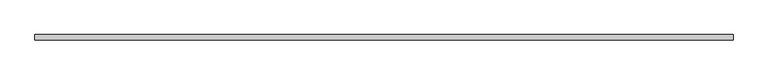
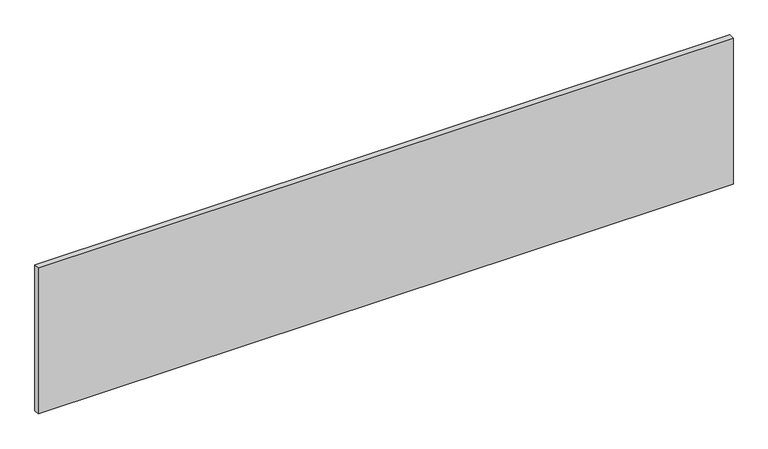
"""IFC4 building model written with IfcOpenShell, lengths in millimetres: furniture geometry."""

from ifc_helpers import new_model, si_unit, frame, origin, place, context, project, spatial, polyline, outline, extrude, source, transform, mapped, element, save


def furniture_741dd6c1(model_context):
    return source(origin(), model_context, "Body", "SweptSolid", [
        extrude(outline(polyline([(914.4, -34.1082318), (914.4, -48.296513), (-914.4, -48.296513), (-914.4, -34.1082318), (914.4, -34.1082318)])), frame((0.0, 0.0, 730.25), z_axis=(0.0, 0.0, 1.0), x_axis=(1.0, 0.0, 0.0)), (0.0, 0.0, 1.0), 406.4),
    ])


if __name__ == "__main__":
    model = new_model("IFC4")
    model_context = context("Model", 3, world=origin())
    ifc_project = project(units=[si_unit("LENGTHUNIT", "METRE", prefix="MILLI")], contexts=[model_context])
    site = spatial("IfcSite", under=ifc_project)
    building = spatial("IfcBuilding", under=site)
    placement = place(None, origin())
    furniture_shape = furniture_741dd6c1(model_context)
    element("IfcFurniture", 1, at=placement, inside=building, context=model_context, shape_type="MappedRepresentation", body=[
        mapped(furniture_shape, transform((0.0, 0.0, 0.0), x_axis=(1.0, 0.0, 0.0), y_axis=(0.0, 1.0, 0.0), z_axis=(0.0, 0.0, 1.0))),
    ])
    save(model, "model.ifc")
